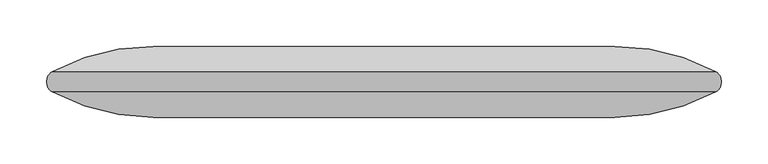
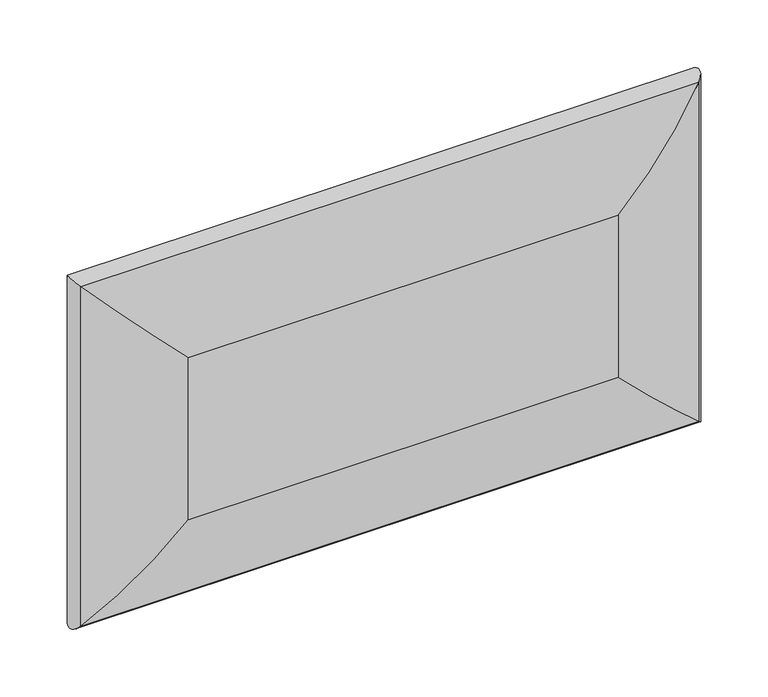
"""IFC4 building model written with IfcOpenShell, lengths in millimetres: furniture geometry."""

from ifc_helpers import new_model, si_unit, frame, origin, place, context, project, spatial, ellipse_curve, source, transform, mapped, element, save
from ifc_brep_helpers import plane_surface, cylinder_surface, advanced_brep


def furniture_646dda85(model_context):
    return source(origin(), model_context, "Body", "AdvancedBrep", [
        advanced_brep(
        [(463.55, 273.05, 501.65), (463.55, 273.05, 698.5), (-31.75, 273.05, 698.5), (-31.75, 273.05, 501.65), (463.55, 349.25, 698.5), (463.55, 349.25, 501.65), (-31.75, 349.25, 501.65), (-31.75, 349.25, 698.5), (571.6269877, 299.9296117, 806.5769877), (571.6269877, 299.9296117, 393.5730123), (571.6269877, 322.3703883, 806.5769877), (571.6269877, 322.3703883, 393.5730123), (-139.8269877, 299.9296117, 393.5730123), (-139.8269877, 322.3703883, 393.5730123), (-139.8269877, 299.9296117, 806.5769877), (-139.8269877, 322.3703883, 806.5769877)],
        [
            (0, 1),
            (1, 2),
            (2, 3),
            (3, 0),
            (4, 5),
            (5, 6),
            (6, 7),
            (7, 4),
            (8, 1, ellipse_curve(frame((463.55, 503.7666667, 698.5), z_axis=(0.7071067811865475, 0.0, -0.7071067811865475), x_axis=(0.7071067811865474, 0.0, 0.7071067811865476)), 326.2826391, 230.7166667)),
            (0, 9, ellipse_curve(frame((463.55, 503.7666667, 501.65), z_axis=(0.7071067811865475, 0.0, 0.7071067811865475), x_axis=(-0.7071067811865474, 0.0, 0.7071067811865476)), 326.2826391, 230.7166667)),
            (9, 8),
            (4, 10, ellipse_curve(frame((463.55, 118.5333333, 698.5), z_axis=(0.7071067811865475, 0.0, -0.7071067811865475), x_axis=(0.7071067811865474, 0.0, 0.7071067811865476)), 326.2826391, 230.7166667)),
            (10, 11),
            (11, 5, ellipse_curve(frame((463.55, 118.5333333, 501.65), z_axis=(0.7071067811865475, 0.0, 0.7071067811865475), x_axis=(-0.7071067811865474, 0.0, 0.7071067811865476)), 326.2826391, 230.7166667)),
            (3, 12, ellipse_curve(frame((-31.75, 503.7666667, 501.65), z_axis=(0.7071067811865475, 0.0, -0.7071067811865475), x_axis=(0.7071067811865476, 0.0, 0.7071067811865474)), 326.2826391, 230.7166667)),
            (12, 9),
            (11, 13),
            (13, 6, ellipse_curve(frame((-31.75, 118.5333333, 501.65), z_axis=(0.7071067811865475, 0.0, -0.7071067811865475), x_axis=(0.7071067811865476, 0.0, 0.7071067811865474)), 326.2826391, 230.7166667)),
            (2, 14, ellipse_curve(frame((-31.75, 503.7666667, 698.5), z_axis=(-0.7071067811865475, 0.0, -0.7071067811865475), x_axis=(0.7071067811865474, 0.0, -0.7071067811865476)), 326.2826391, 230.7166667)),
            (14, 12),
            (13, 15),
            (15, 7, ellipse_curve(frame((-31.75, 118.5333333, 698.5), z_axis=(-0.7071067811865475, 0.0, -0.7071067811865475), x_axis=(0.7071067811865474, 0.0, -0.7071067811865476)), 326.2826391, 230.7166667)),
            (8, 14),
            (15, 10),
            (9, 11, ellipse_curve(frame((565.6777958, 311.15, 399.5222042), z_axis=(0.7071067811865475, 0.0, 0.7071067811865475), x_axis=(-0.7071067811865474, 0.0, 0.7071067811865476)), 17.9605122, 12.7)),
            (10, 8, ellipse_curve(frame((565.6777958, 311.15, 800.6277958), z_axis=(0.7071067811865475, 0.0, -0.7071067811865475), x_axis=(0.7071067811865474, 0.0, 0.7071067811865476)), 17.9605122, 12.7)),
            (12, 13, ellipse_curve(frame((-133.8777958, 311.15, 399.5222042), z_axis=(0.7071067811865475, 0.0, -0.7071067811865475), x_axis=(0.7071067811865476, 0.0, 0.7071067811865474)), 17.9605122, 12.7)),
            (14, 15, ellipse_curve(frame((-133.8777958, 311.15, 800.6277958), z_axis=(-0.7071067811865475, 0.0, -0.7071067811865475), x_axis=(0.7071067811865474, 0.0, -0.7071067811865476)), 17.9605122, 12.7)),
        ],
        [
            plane_surface(frame((-31.75, 273.05, 698.5), z_axis=(0.0, -1.0, 0.0), x_axis=(-1.0, 0.0, 0.0))),
            plane_surface(frame((-31.75, 349.25, 698.5), z_axis=(0.0, 1.0, 0.0), x_axis=(1.0, 0.0, 0.0))),
            cylinder_surface(frame((463.55, 503.7666667, 825.5), z_axis=(0.0, 0.0, 1.0), x_axis=(1.0, 0.0, 0.0)), 230.7166667),
            cylinder_surface(frame((463.55, 118.5333333, 825.5), z_axis=(0.0, 0.0, 1.0), x_axis=(1.0, 0.0, 0.0)), 230.7166667),
            cylinder_surface(frame((590.55, 503.7666667, 501.65), z_axis=(1.0, 0.0, 0.0), x_axis=(0.0, 0.0, -1.0)), 230.7166667),
            cylinder_surface(frame((590.55, 118.5333333, 501.65), z_axis=(1.0, 0.0, 0.0), x_axis=(0.0, 0.0, -1.0)), 230.7166667),
            cylinder_surface(frame((-31.75, 503.7666667, 374.65), z_axis=(0.0, 0.0, -1.0), x_axis=(-1.0, 0.0, 0.0)), 230.7166667),
            cylinder_surface(frame((-31.75, 118.5333333, 374.65), z_axis=(0.0, 0.0, -1.0), x_axis=(-1.0, 0.0, 0.0)), 230.7166667),
            cylinder_surface(frame((-158.75, 503.7666667, 698.5), z_axis=(-1.0, 0.0, 0.0), x_axis=(0.0, 0.0, 1.0)), 230.7166667),
            cylinder_surface(frame((-158.75, 118.5333333, 698.5), z_axis=(-1.0, 0.0, 0.0), x_axis=(0.0, 0.0, 1.0)), 230.7166667),
            cylinder_surface(frame((565.6777958, 311.15, 825.5), z_axis=(0.0, 0.0, 1.0), x_axis=(1.0, 0.0, 0.0)), 12.7),
            cylinder_surface(frame((590.55, 311.15, 399.5222042), z_axis=(1.0, 0.0, 0.0), x_axis=(0.0, 0.0, -1.0)), 12.7),
            cylinder_surface(frame((-133.8777958, 311.15, 374.65), z_axis=(0.0, 0.0, -1.0), x_axis=(-1.0, 0.0, 0.0)), 12.7),
            cylinder_surface(frame((-158.75, 311.15, 800.6277958), z_axis=(-1.0, 0.0, 0.0), x_axis=(0.0, 0.0, 1.0)), 12.7),
        ],
        [
            (0, [[1, 2, 3, 4]]),
            (1, [[5, 6, 7, 8]]),
            (2, [[9, -1, 10, 11]]),
            (3, [[12, 13, 14, -5]]),
            (4, [[-10, -4, 15, 16]]),
            (5, [[-14, 17, 18, -6]]),
            (6, [[-15, -3, 19, 20]]),
            (7, [[-18, 21, 22, -7]]),
            (8, [[-9, 23, -19, -2]]),
            (9, [[-12, -8, -22, 24]]),
            (10, [[-11, 25, -13, 26]]),
            (11, [[-16, 27, -17, -25]]),
            (12, [[-20, 28, -21, -27]]),
            (13, [[-23, -26, -24, -28]]),
        ],
    ),
    ])


if __name__ == "__main__":
    model = new_model("IFC4")
    model_context = context("Model", 3, world=origin())
    ifc_project = project(units=[si_unit("LENGTHUNIT", "METRE", prefix="MILLI")], contexts=[model_context])
    site = spatial("IfcSite", under=ifc_project)
    building = spatial("IfcBuilding", under=site)
    placement = place(None, origin())
    furniture_shape = furniture_646dda85(model_context)
    element("IfcFurniture", 1, at=placement, inside=building, context=model_context, shape_type="MappedRepresentation", body=[
        mapped(furniture_shape, transform((0.0, 0.0, 0.0), x_axis=(1.0, 0.0, 0.0), y_axis=(0.0, 1.0, 0.0), z_axis=(0.0, 0.0, 1.0))),
    ])
    save(model, "model.ifc")
